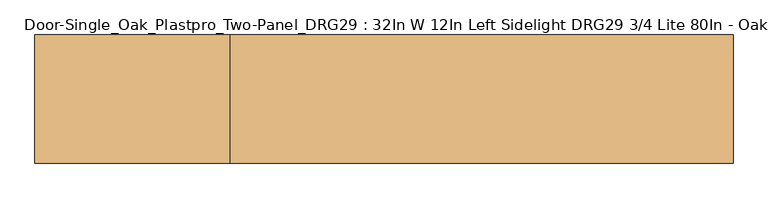
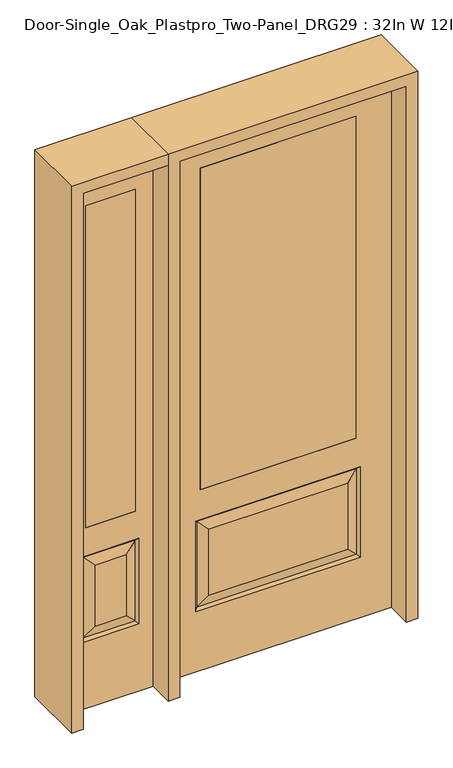
"""IFC4 building model written with IfcOpenShell, lengths in millimetres: door geometry, Door-Single_Oak_Plastpro_Two-Panel_DRG29 : 32In W 12In Left Sidelight DRG29 3/4 Lite 80In - Oak."""

from ifc_helpers import new_model, si_unit, frame, origin, place, context, project, spatial, polyline, outline, extrude, faceted_brep, source, transform, mapped, element, save


def door_single_oak_plastpro_two_panel_drg29_32in_w_12in_left_7786886f(model_context):
    return source(origin(), model_context, "Body", "SolidModel", [
        extrude(outline(polyline([(-279.4, -20.6375), (-279.4, 20.6375), (279.4, 20.6375), (279.4, -20.6375), (-279.4, -20.6375)])), frame((0.0, 0.0, 685.8), z_axis=(0.0, 0.0, 1.0), x_axis=(1.0, 0.0, 0.0)), (0.0, 0.0, 1.0), 1219.2),
        faceted_brep([(-249.1224548, -20.6375, 274.7525452), (249.1224548, -20.6375, 274.7525452), (249.1224548, -20.6375, 525.3474548), (-249.1224548, -20.6375, 525.3474548), (406.4, -20.6375, 2032.0), (-406.4, -20.6375, 2032.0), (-406.4, -20.6375, 0.0), (406.4, -20.6375, 0.0), (295.1599548, -20.6375, 228.7150452), (-295.1599548, -20.6375, 228.7150452), (-295.1599548, -20.6375, 571.3849548), (295.1599548, -20.6375, 571.3849548), (-279.4, -20.6375, 1905.0), (279.4, -20.6375, 1905.0), (279.4, -20.6375, 685.8), (-279.4, -20.6375, 685.8), (-279.4, 20.6375, 1905.0), (-279.4, 20.6375, 685.8), (279.4, 20.6375, 685.8), (249.1224548, 20.6375, 274.7525452), (-249.1224548, 20.6375, 274.7525452), (-249.1224548, 20.6375, 525.3474548), (249.1224548, 20.6375, 525.3474548), (-406.4, 20.6375, 2032.0), (406.4, 20.6375, 2032.0), (406.4, 20.6375, 0.0), (-406.4, 20.6375, 0.0), (-295.1599548, 20.6375, 228.7150452), (295.1599548, 20.6375, 228.7150452), (295.1599548, 20.6375, 571.3849548), (-295.1599548, 20.6375, 571.3849548), (279.4, 20.6375, 1905.0), (286.1796986, -11.6572439, 237.6953014), (-286.1796986, -11.6572439, 237.6953014), (-286.1796986, -11.6572439, 562.4046986), (286.1796986, -11.6572439, 562.4046986), (286.1796986, 11.6572439, 237.6953014), (-286.1796986, 11.6572439, 237.6953014), (-286.1796986, 11.6572439, 562.4046986), (286.1796986, 11.6572439, 562.4046986)], [[[0, 1, 2, 3]], [[4, 5, 6, 7], [8, 9, 10, 11], [12, 13, 14, 15]], [[16, 12, 15, 17]], [[17, 15, 14, 18]], [[19, 20, 21, 22]], [[23, 24, 25, 26], [27, 28, 29, 30], [31, 16, 17, 18]], [[13, 31, 18, 14]], [[6, 26, 25, 7]], [[5, 23, 26, 6]], [[24, 4, 7, 25]], [[32, 33, 9, 8]], [[9, 33, 34, 10]], [[10, 34, 35, 11]], [[32, 8, 11, 35]], [[33, 32, 1, 0]], [[1, 32, 35, 2]], [[34, 3, 2, 35]], [[33, 0, 3, 34]], [[36, 37, 20, 19]], [[20, 37, 38, 21]], [[21, 38, 39, 22]], [[36, 19, 22, 39]], [[37, 36, 28, 27]], [[28, 36, 39, 29]], [[38, 30, 29, 39]], [[37, 27, 30, 38]], [[12, 16, 31, 13]], [[5, 4, 24, 23]]]),
        extrude(outline(polyline([(-688.975, -20.6375), (-688.975, 20.6375), (-511.175, 20.6375), (-511.175, -20.6375), (-688.975, -20.6375)])), frame((0.0, 0.0, 685.8), z_axis=(0.0, 0.0, 1.0), x_axis=(1.0, 0.0, 0.0)), (0.0, 0.0, 1.0), 1219.2),
        faceted_brep([(-688.975, -20.6375, 1905.0), (-688.975, 20.6375, 1905.0), (-511.175, 20.6375, 1905.0), (-511.175, -20.6375, 1905.0), (-655.5224548, -20.6375, 531.6974548), (-655.5224548, -20.6375, 300.1525452), (-544.6275452, -20.6375, 300.1525452), (-544.6275452, -20.6375, 531.6974548), (-447.675, -20.6375, 2032.0), (-752.475, -20.6375, 2032.0), (-752.475, -20.6375, 0.0), (-447.675, -20.6375, 0.0), (-701.5599548, -20.6375, 254.1150452), (-701.5599548, -20.6375, 577.7349548), (-498.5900452, -20.6375, 577.7349548), (-498.5900452, -20.6375, 254.1150452), (-511.175, -20.6375, 685.8), (-688.975, -20.6375, 685.8), (-692.5796986, 11.6572439, 568.7546986), (-692.5796986, 11.6572439, 263.0953014), (-701.5599548, 20.6375, 254.1150452), (-701.5599548, 20.6375, 577.7349548), (-498.5900452, 20.6375, 577.7349548), (-507.5703014, 11.6572439, 568.7546986), (-655.5224548, 20.6375, 531.6974548), (-655.5224548, 20.6375, 300.1525452), (-688.975, 20.6375, 685.8), (-511.175, 20.6375, 685.8), (-692.5796986, -11.6572439, 263.0953014), (-507.5703014, -11.6572439, 263.0953014), (-507.5703014, -11.6572439, 568.7546986), (-692.5796986, -11.6572439, 568.7546986), (-447.675, 20.6375, 2032.0), (-752.475, 20.6375, 2032.0), (-447.675, 20.6375, 0.0), (-752.475, 20.6375, 0.0), (-498.5900452, 20.6375, 254.1150452), (-544.6275452, 20.6375, 531.6974548), (-544.6275452, 20.6375, 300.1525452), (-507.5703014, 11.6572439, 263.0953014)], [[[0, 1, 2, 3]], [[4, 5, 6, 7]], [[8, 9, 10, 11], [12, 13, 14, 15], [0, 3, 16, 17]], [[18, 19, 20, 21]], [[18, 21, 22, 23]], [[19, 18, 24, 25]], [[26, 17, 16, 27]], [[5, 28, 29, 6]], [[6, 29, 30, 7]], [[28, 31, 13, 12]], [[32, 33, 9, 8]], [[34, 11, 10, 35]], [[32, 8, 11, 34]], [[9, 33, 35, 10]], [[33, 32, 34, 35], [21, 20, 36, 22], [2, 1, 26, 27]], [[25, 24, 37, 38]], [[20, 19, 39, 36]], [[36, 39, 23, 22]], [[24, 18, 23, 37]], [[39, 38, 37, 23]], [[19, 25, 38, 39]], [[1, 0, 17, 26]], [[3, 2, 27, 16]], [[31, 28, 5, 4]], [[31, 4, 7, 30]], [[13, 31, 30, 14]], [[29, 15, 14, 30]], [[28, 12, 15, 29]]]),
        extrude(outline(polyline([(2032.0, -447.675), (2073.275, -447.675), (2073.275, -793.75), (0.0, -793.75), (0.0, -752.475), (2032.0, -752.475), (2032.0, -447.675)])), frame((0.0, -114.3, 0.0), z_axis=(0.0, 1.0, 0.0), x_axis=(0.0, 0.0, 1.0)), (0.0, 0.0, 1.0), 228.6),
        extrude(outline(polyline([(2073.275, -447.675), (0.0, -447.675), (0.0, -406.4), (2032.0, -406.4), (2032.0, 406.4), (0.0, 406.4), (0.0, 447.675), (2073.275, 447.675), (2073.275, -447.675)])), frame((0.0, -114.3, 0.0), z_axis=(0.0, 1.0, 0.0), x_axis=(0.0, 0.0, 1.0)), (0.0, 0.0, 1.0), 228.6),
    ])


if __name__ == "__main__":
    model = new_model("IFC4")
    model_context = context("Model", 3, world=origin())
    ifc_project = project(units=[si_unit("LENGTHUNIT", "METRE", prefix="MILLI")], contexts=[model_context])
    site = spatial("IfcSite", under=ifc_project)
    building = spatial("IfcBuilding", under=site)
    placement = place(None, origin())
    door_single_oak_plastpro_two_panel_drg29_32in_w_12in_left_shape = door_single_oak_plastpro_two_panel_drg29_32in_w_12in_left_7786886f(model_context)
    element("IfcDoor", 1, ObjectType="Door-Single_Oak_Plastpro_Two-Panel_DRG29 : 32In W 12In Left Sidelight DRG29 3/4 Lite 80In - Oak", at=placement, inside=building, context=model_context, shape_type="MappedRepresentation", body=[
        mapped(door_single_oak_plastpro_two_panel_drg29_32in_w_12in_left_shape, transform((0.0, 0.0, 0.0), x_axis=(1.0, 0.0, 0.0), y_axis=(0.0, 1.0, 0.0), z_axis=(0.0, 0.0, 1.0))),
    ])
    save(model, "model.ifc")
